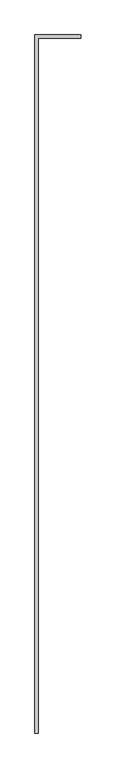
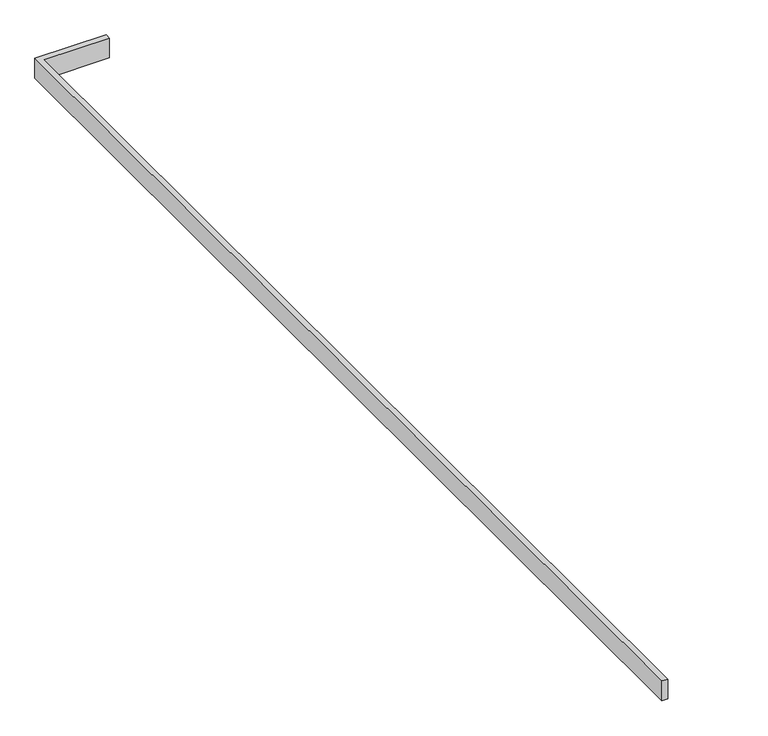
"""IFC4 building model written with IfcOpenShell, lengths in millimetres: proxy geometry."""

from ifc_helpers import new_model, si_unit, frame, origin, place, context, project, spatial, polyline, outline, extrude, source, transform, mapped, element, save


def specialty_equipment_6a409ce9(model_context):
    return source(origin(), model_context, "Body", "SweptSolid", [
        extrude(outline(polyline([(1396.1801897, 1925.5005269), (1651.9801897, 1925.5005269), (1651.9801897, 1905.5005269), (1416.1801897, 1905.5005269), (1416.1801897, -1979.4994731), (1396.1801897, -1979.4994731), (1396.1801897, 1925.5005269)])), frame((0.0, 0.0, 1270.0), z_axis=(0.0, 0.0, 1.0), x_axis=(1.0, 0.0, 0.0)), (0.0, 0.0, 1.0), 75.0),
    ])


if __name__ == "__main__":
    model = new_model("IFC4")
    model_context = context("Model", 3, world=origin())
    ifc_project = project(units=[si_unit("LENGTHUNIT", "METRE", prefix="MILLI")], contexts=[model_context])
    site = spatial("IfcSite", under=ifc_project)
    building = spatial("IfcBuilding", under=site)
    placement = place(None, origin())
    specialty_equipment_shape = specialty_equipment_6a409ce9(model_context)
    element("IfcBuildingElementProxy", 1, Name="Specialty Equipment", at=placement, inside=building, context=model_context, shape_type="MappedRepresentation", body=[
        mapped(specialty_equipment_shape, transform((0.0, 0.0, 0.0), x_axis=(1.0, 0.0, 0.0), y_axis=(0.0, 1.0, 0.0), z_axis=(0.0, 0.0, 1.0))),
    ])
    save(model, "model.ifc")
